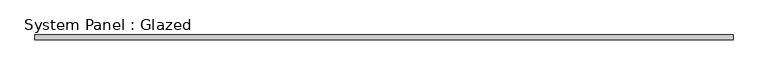
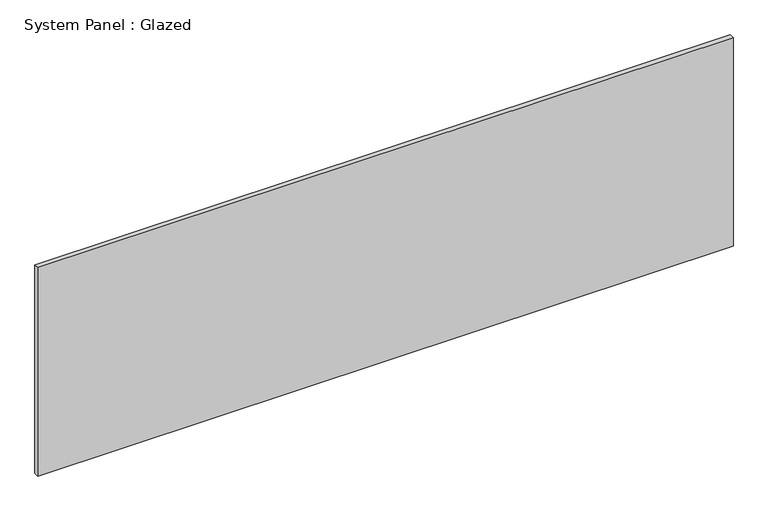
"""IFC4 building model written with IfcOpenShell, lengths in millimetres: plate geometry, System Panel : Glazed."""

from ifc_helpers import new_model, si_unit, origin, origin_with_axes, place, context, project, spatial, polyline, outline, extrude, source, transform, mapped, element, save


def system_panel_glazed_a60a2d1f(model_context):
    return source(origin(), model_context, "Body", "SweptSolid", [
        extrude(outline(polyline([(1822.6161577, 19.05), (-1822.6161577, 19.05), (-1822.6161577, 44.45), (1822.6161577, 44.45), (1822.6161577, 19.05)])), origin_with_axes(), (0.0, 0.0, 1.0), 1155.7),
    ])


if __name__ == "__main__":
    model = new_model("IFC4")
    model_context = context("Model", 3, world=origin())
    ifc_project = project(units=[si_unit("LENGTHUNIT", "METRE", prefix="MILLI")], contexts=[model_context])
    site = spatial("IfcSite", under=ifc_project)
    building = spatial("IfcBuilding", under=site)
    placement = place(None, origin())
    system_panel_glazed_shape = system_panel_glazed_a60a2d1f(model_context)
    element("IfcPlate", 1, ObjectType="System Panel : Glazed", at=placement, inside=building, context=model_context, shape_type="MappedRepresentation", body=[
        mapped(system_panel_glazed_shape, transform((0.0, 0.0, 0.0), x_axis=(1.0, 0.0, 0.0), y_axis=(0.0, 1.0, 0.0), z_axis=(0.0, 0.0, 1.0))),
    ])
    save(model, "model.ifc")
